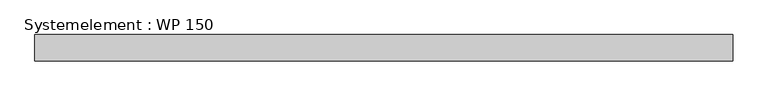
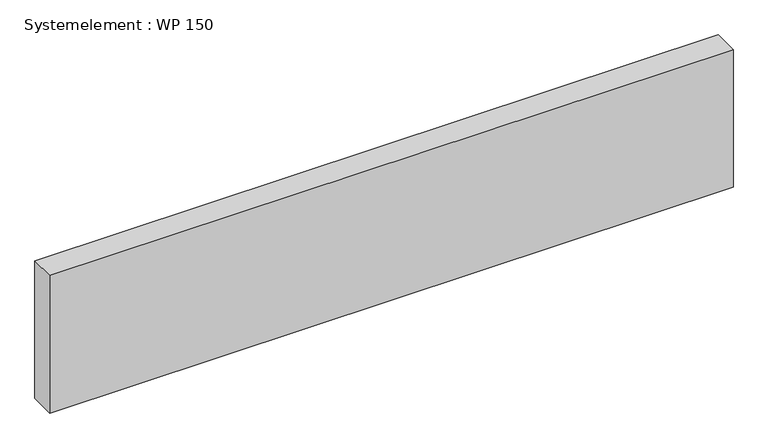
"""IFC4 building model written with IfcOpenShell, lengths in millimetres: plate geometry, Systemelement : WP 150."""

from ifc_helpers import new_model, si_unit, origin, origin_with_axes, place, context, project, spatial, polyline, outline, extrude, source, transform, mapped, element, save


def systemelement_wp_150_99879ed4(model_context):
    return source(origin(), model_context, "Body", "SweptSolid", [
        extrude(outline(polyline([(2000.0, -150.0), (-2000.0, -150.0), (-2000.0, 0.0), (2000.0, 0.0), (2000.0, -150.0)])), origin_with_axes(), (0.0, 0.0, 1.0), 851.6147161),
    ])


if __name__ == "__main__":
    model = new_model("IFC4")
    model_context = context("Model", 3, world=origin())
    ifc_project = project(units=[si_unit("LENGTHUNIT", "METRE", prefix="MILLI")], contexts=[model_context])
    site = spatial("IfcSite", under=ifc_project)
    building = spatial("IfcBuilding", under=site)
    placement = place(None, origin())
    systemelement_wp_150_shape = systemelement_wp_150_99879ed4(model_context)
    element("IfcPlate", 1, ObjectType="Systemelement : WP 150", at=placement, inside=building, context=model_context, shape_type="MappedRepresentation", body=[
        mapped(systemelement_wp_150_shape, transform((0.0, 0.0, 0.0), x_axis=(1.0, 0.0, 0.0), y_axis=(0.0, 1.0, 0.0), z_axis=(0.0, 0.0, 1.0))),
    ])
    save(model, "model.ifc")
